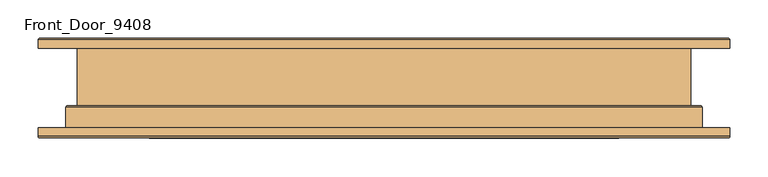
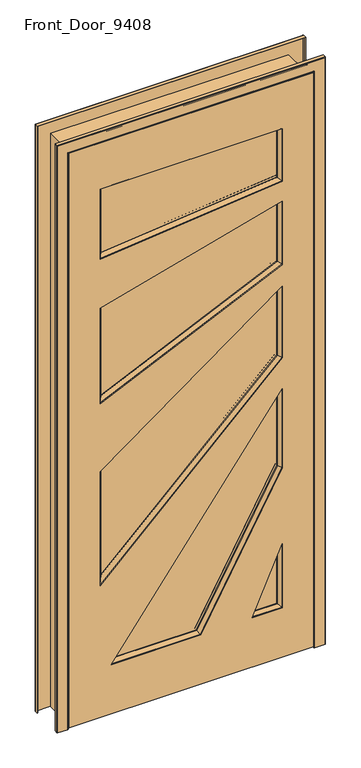
"""IFC4 building model written with IfcOpenShell, lengths in millimetres: door geometry, Front_Door_9408."""

from ifc_helpers import new_model, si_unit, frame, origin, place, context, project, spatial, polyline, circle_curve, ellipse_curve, outline, extrude, faceted_brep, source, transform, mapped, element, save
from ifc_brep_helpers import plane_surface, cylinder_surface, revolved_surface, advanced_brep


def front_door_9408_be1e3d87(model_context):
    return source(origin(), model_context, "Body", "SolidModel", [
        faceted_brep([(306.0, -28.5, 1322.3), (306.0, -42.0, 1322.3), (306.0, -42.0, 1068.6), (306.0, -28.5, 1068.6), (-306.0, -42.0, 473.6), (-306.0, -28.5, 473.6), (-306.0, -42.0, 877.3), (-296.0, -42.0, 497.2693225), (-296.0, -42.0, 872.2071423), (296.0, -42.0, 1302.6646586), (296.0, -42.0, 1072.824878), (-306.0, -28.5, 877.3), (305.0, -28.5, 1069.0224878), (305.0, -28.5, 1320.3364659), (-305.0, -28.5, 876.7907142), (-305.0, -28.5, 475.9669322), (296.0, -39.0, 1302.6646586), (296.0, -39.0, 1072.824878), (-296.0, -39.0, 497.2693225), (-296.0, -39.0, 872.2071423)], [[[0, 1, 2, 3]], [[3, 2, 4, 5]], [[2, 1, 6, 4], [7, 8, 9, 10]], [[5, 4, 6, 11]], [[5, 11, 0, 3], [12, 13, 14, 15]], [[16, 13, 12, 17]], [[17, 12, 15, 18]], [[18, 15, 14, 19]], [[10, 17, 18, 7]], [[9, 16, 17, 10]], [[7, 18, 19, 8]], [[11, 6, 1, 0]], [[19, 14, 13, 16]], [[8, 19, 16, 9]]]),
        faceted_brep([(296.0, -51.0, 1302.6646586), (296.0, -48.0, 1302.6646586), (296.0, -48.0, 1072.824878), (296.0, -51.0, 1072.824878), (-296.0, -48.0, 497.2693225), (-296.0, -51.0, 497.2693225), (-306.0, -48.0, 473.6), (-306.0, -48.0, 877.3), (306.0, -48.0, 1322.3), (306.0, -48.0, 1068.6), (-296.0, -48.0, 872.2071423), (-296.0, -51.0, 872.2071423), (305.0, -61.5, 1069.0224878), (-305.0, -61.5, 475.9669322), (305.0, -61.5, 1320.3364659), (-305.0, -61.5, 876.7907142), (306.0, -61.5, 1068.6), (306.0, -61.5, 1322.3), (-306.0, -61.5, 877.3), (-306.0, -61.5, 473.6)], [[[0, 1, 2, 3]], [[3, 2, 4, 5]], [[6, 7, 8, 9], [2, 1, 10, 4]], [[5, 4, 10, 11]], [[12, 3, 5, 13]], [[14, 0, 3, 12]], [[13, 5, 11, 15]], [[16, 17, 18, 19], [13, 15, 14, 12]], [[8, 17, 16, 9]], [[9, 16, 19, 6]], [[6, 19, 18, 7]], [[11, 10, 1, 0]], [[15, 11, 0, 14]], [[7, 18, 17, 8]]]),
        faceted_brep([(306.0, -28.5, 1624.5), (306.0, -42.0, 1624.5), (306.0, -42.0, 1399.8), (306.0, -28.5, 1399.8), (-306.0, -42.0, 1119.8), (-306.0, -28.5, 1119.8), (-306.0, -42.0, 1459.5), (-296.0, -42.0, 1135.3720775), (-296.0, -42.0, 1451.8390113), (296.0, -42.0, 1611.4468545), (296.0, -42.0, 1406.2217507), (-306.0, -28.5, 1459.5), (305.0, -28.5, 1400.4421751), (305.0, -28.5, 1623.1946854), (-305.0, -28.5, 1458.7339011), (-305.0, -28.5, 1121.3572078), (296.0, -39.0, 1611.4468545), (296.0, -39.0, 1406.2217507), (-296.0, -39.0, 1135.3720775), (-296.0, -39.0, 1451.8390113)], [[[0, 1, 2, 3]], [[3, 2, 4, 5]], [[2, 1, 6, 4], [7, 8, 9, 10]], [[5, 11, 0, 3], [12, 13, 14, 15]], [[16, 13, 12, 17]], [[17, 12, 15, 18]], [[10, 17, 18, 7]], [[9, 16, 17, 10]], [[5, 4, 6, 11]], [[18, 15, 14, 19]], [[7, 18, 19, 8]], [[11, 6, 1, 0]], [[19, 14, 13, 16]], [[8, 19, 16, 9]]]),
        faceted_brep([(296.0, -51.0, 1611.4468545), (296.0, -48.0, 1611.4468545), (296.0, -48.0, 1406.2217507), (296.0, -51.0, 1406.2217507), (-296.0, -48.0, 1135.3720775), (-296.0, -51.0, 1135.3720775), (-306.0, -48.0, 1119.8), (-306.0, -48.0, 1459.5), (306.0, -48.0, 1624.5), (306.0, -48.0, 1399.8), (-296.0, -48.0, 1451.8390113), (305.0, -61.5, 1400.4421751), (-305.0, -61.5, 1121.3572078), (305.0, -61.5, 1623.1946854), (306.0, -61.5, 1399.8), (306.0, -61.5, 1624.5), (-306.0, -61.5, 1459.5), (-306.0, -61.5, 1119.8), (-305.0, -61.5, 1458.7339011), (-296.0, -51.0, 1451.8390113)], [[[0, 1, 2, 3]], [[3, 2, 4, 5]], [[6, 7, 8, 9], [2, 1, 10, 4]], [[11, 3, 5, 12]], [[13, 0, 3, 11]], [[14, 15, 16, 17], [12, 18, 13, 11]], [[8, 15, 14, 9]], [[9, 14, 17, 6]], [[5, 4, 10, 19]], [[12, 5, 19, 18]], [[6, 17, 16, 7]], [[19, 10, 1, 0]], [[18, 19, 0, 13]], [[7, 16, 15, 8]]]),
        extrude(outline(polyline([(877.3, -306.0), (473.6, -306.0), (1068.6, 306.0), (1322.3, 306.0), (877.3, -306.0)])), frame((0.0, -48.0, 0.0), z_axis=(0.0, 1.0, 0.0), x_axis=(0.0, 0.0, 1.0)), (0.0, 0.0, 1.0), 6.0),
        extrude(outline(polyline([(1881.5, 306.0), (1881.5, -306.0), (1632.0, -306.0), (1695.0, 306.0), (1881.5, 306.0)])), frame((0.0, -48.0, 0.0), z_axis=(0.0, 1.0, 0.0), x_axis=(0.0, 0.0, 1.0)), (0.0, 0.0, 1.0), 6.0),
        extrude(outline(polyline([(1459.5, -306.0), (1119.8, -306.0), (1399.8, 306.0), (1624.5, 306.0), (1459.5, -306.0)])), frame((0.0, -48.0, 0.0), z_axis=(0.0, 1.0, 0.0), x_axis=(0.0, 0.0, 1.0)), (0.0, 0.0, 1.0), 6.0),
        extrude(outline(polyline([(678.1, 306.0), (958.1, 306.0), (180.0, -270.3), (180.0, 31.4), (678.1, 306.0)])), frame((0.0, -48.0, 0.0), z_axis=(0.0, 1.0, 0.0), x_axis=(0.0, 0.0, 1.0)), (0.0, 0.0, 1.0), 6.0),
        extrude(outline(polyline([(180.0, 203.8), (180.0, 306.0), (408.1, 306.0), (180.0, 203.8)])), frame((0.0, -48.0, 0.0), z_axis=(0.0, 1.0, 0.0), x_axis=(0.0, 0.0, 1.0)), (0.0, 0.0, 1.0), 6.0),
        extrude(outline(polyline([(2045.0, -410.0), (5.0, -410.0), (5.0, 410.0), (2045.0, 410.0), (2045.0, -410.0)]), holes=[polyline([(1399.8, 306.0), (1119.8, -306.0), (1459.5, -306.0), (1624.5, 306.0), (1399.8, 306.0)]), polyline([(1068.6, 306.0), (473.6, -306.0), (877.3, -306.0), (1322.3, 306.0), (1068.6, 306.0)]), polyline([(1881.5, -306.0), (1881.5, 306.0), (1695.0, 306.0), (1632.0, -306.0), (1881.5, -306.0)]), polyline([(180.0, -270.3), (958.1, 306.0), (678.1, 306.0), (180.0, 31.4), (180.0, -270.3)]), polyline([(180.0, 306.0), (180.0, 203.8), (408.1, 306.0), (180.0, 306.0)])]), frame((0.0, -65.0, 0.0), z_axis=(0.0, 1.0, 0.0), x_axis=(0.0, 0.0, 1.0)), (0.0, 0.0, 1.0), 40.0),
        faceted_brep([(306.0, -28.5, 180.0), (306.0, -42.0, 180.0), (203.8, -42.0, 180.0), (203.8, -28.5, 180.0), (296.0, -39.0, 190.0), (305.0, -28.5, 181.0), (205.3438356, -28.5, 181.0), (219.2383558, -39.0, 190.0), (296.0, -42.0, 190.0), (219.2383558, -42.0, 190.0), (306.0, -42.0, 408.1), (306.0, -28.5, 408.1), (305.0, -28.5, 403.4224179), (296.0, -39.0, 361.3241786), (296.0, -42.0, 361.3241786)], [[[0, 1, 2, 3]], [[4, 5, 6, 7]], [[8, 4, 7, 9]], [[3, 2, 10, 11]], [[7, 6, 12, 13]], [[9, 7, 13, 14]], [[1, 10, 2], [8, 9, 14]], [[11, 10, 1, 0]], [[0, 3, 11], [5, 12, 6]], [[13, 12, 5, 4]], [[14, 13, 4, 8]]]),
        faceted_brep([(296.0, -51.0, 190.0), (296.0, -48.0, 190.0), (219.2383558, -48.0, 190.0), (219.2383558, -51.0, 190.0), (305.0, -61.5, 181.0), (205.3438356, -61.5, 181.0), (306.0, -48.0, 180.0), (306.0, -61.5, 180.0), (203.8, -61.5, 180.0), (203.8, -48.0, 180.0), (296.0, -48.0, 361.3241786), (296.0, -51.0, 361.3241786), (305.0, -61.5, 403.4224179), (306.0, -61.5, 408.1), (306.0, -48.0, 408.1)], [[[0, 1, 2, 3]], [[4, 0, 3, 5]], [[6, 7, 8, 9]], [[3, 2, 10, 11]], [[5, 3, 11, 12]], [[9, 8, 13, 14]], [[11, 10, 1, 0]], [[12, 11, 0, 4]], [[7, 13, 8], [4, 5, 12]], [[14, 13, 7, 6]], [[6, 9, 14], [1, 10, 2]]]),
        faceted_brep([(306.0, -28.5, 678.1), (306.0, -42.0, 678.1), (31.4, -42.0, 180.0), (31.4, -28.5, 180.0), (296.0, -39.0, 680.6738643), (305.0, -28.5, 678.3573864), (30.8093991, -28.5, 181.0), (25.4939909, -39.0, 190.0), (296.0, -42.0, 680.6738643), (25.4939909, -42.0, 190.0), (-270.3, -42.0, 180.0), (-270.3, -28.5, 180.0), (-268.314937, -28.5, 181.0), (-250.4493704, -39.0, 190.0), (-250.4493704, -42.0, 190.0), (306.0, -42.0, 958.1), (306.0, -28.5, 958.1), (305.0, -28.5, 955.0696729), (296.0, -39.0, 927.7967293), (296.0, -42.0, 927.7967293)], [[[0, 1, 2, 3]], [[4, 5, 6, 7]], [[8, 4, 7, 9]], [[3, 2, 10, 11]], [[7, 6, 12, 13]], [[9, 7, 13, 14]], [[11, 10, 15, 16]], [[13, 12, 17, 18]], [[14, 13, 18, 19]], [[1, 15, 10, 2], [9, 14, 19, 8]], [[16, 15, 1, 0]], [[3, 11, 16, 0], [5, 17, 12, 6]], [[18, 17, 5, 4]], [[19, 18, 4, 8]]]),
        faceted_brep([(296.0, -51.0, 680.6738643), (296.0, -48.0, 680.6738643), (25.4939909, -48.0, 190.0), (25.4939909, -51.0, 190.0), (305.0, -61.5, 678.3573864), (30.8093991, -61.5, 181.0), (306.0, -48.0, 678.1), (306.0, -61.5, 678.1), (31.4, -61.5, 180.0), (31.4, -48.0, 180.0), (-250.4493704, -48.0, 190.0), (-250.4493704, -51.0, 190.0), (-268.314937, -61.5, 181.0), (-270.3, -61.5, 180.0), (-270.3, -48.0, 180.0), (296.0, -48.0, 927.7967293), (296.0, -51.0, 927.7967293), (305.0, -61.5, 955.0696729), (306.0, -61.5, 958.1), (306.0, -48.0, 958.1)], [[[0, 1, 2, 3]], [[4, 0, 3, 5]], [[6, 7, 8, 9]], [[3, 2, 10, 11]], [[5, 3, 11, 12]], [[9, 8, 13, 14]], [[11, 10, 15, 16]], [[12, 11, 16, 17]], [[14, 13, 18, 19]], [[16, 15, 1, 0]], [[17, 16, 0, 4]], [[7, 18, 13, 8], [5, 12, 17, 4]], [[19, 18, 7, 6]], [[9, 14, 19, 6], [1, 15, 10, 2]]]),
        faceted_brep([(306.0, -28.5, 1695.0), (306.0, -42.0, 1695.0), (-306.0, -42.0, 1632.0), (-306.0, -28.5, 1632.0), (296.0, -39.0, 1704.023433), (305.0, -28.5, 1695.9023433), (-305.0, -28.5, 1633.1082257), (-296.0, -39.0, 1643.0822566), (296.0, -42.0, 1704.023433), (-296.0, -42.0, 1643.0822566), (-306.0, -42.0, 1881.5), (-306.0, -28.5, 1881.5), (-305.0, -28.5, 1880.5), (-296.0, -39.0, 1871.5), (-296.0, -42.0, 1871.5), (306.0, -42.0, 1881.5), (306.0, -28.5, 1881.5), (305.0, -28.5, 1880.5), (296.0, -39.0, 1871.5), (296.0, -42.0, 1871.5)], [[[0, 1, 2, 3]], [[4, 5, 6, 7]], [[8, 4, 7, 9]], [[3, 2, 10, 11]], [[7, 6, 12, 13]], [[9, 7, 13, 14]], [[11, 10, 15, 16]], [[13, 12, 17, 18]], [[14, 13, 18, 19]], [[1, 15, 10, 2], [9, 14, 19, 8]], [[16, 15, 1, 0]], [[3, 11, 16, 0], [5, 17, 12, 6]], [[18, 17, 5, 4]], [[19, 18, 4, 8]]]),
        faceted_brep([(296.0, -51.0, 1704.023433), (296.0, -48.0, 1704.023433), (-296.0, -48.0, 1643.0822566), (-296.0, -51.0, 1643.0822566), (305.0, -61.5, 1695.9023433), (-305.0, -61.5, 1633.1082257), (306.0, -48.0, 1695.0), (306.0, -61.5, 1695.0), (-306.0, -61.5, 1632.0), (-306.0, -48.0, 1632.0), (-296.0, -48.0, 1871.5), (-296.0, -51.0, 1871.5), (-305.0, -61.5, 1880.5), (-306.0, -61.5, 1881.5), (-306.0, -48.0, 1881.5), (296.0, -48.0, 1871.5), (296.0, -51.0, 1871.5), (305.0, -61.5, 1880.5), (306.0, -61.5, 1881.5), (306.0, -48.0, 1881.5)], [[[0, 1, 2, 3]], [[4, 0, 3, 5]], [[6, 7, 8, 9]], [[3, 2, 10, 11]], [[5, 3, 11, 12]], [[9, 8, 13, 14]], [[11, 10, 15, 16]], [[12, 11, 16, 17]], [[14, 13, 18, 19]], [[16, 15, 1, 0]], [[17, 16, 0, 4]], [[7, 18, 13, 8], [5, 12, 17, 4]], [[19, 18, 7, 6]], [[9, 14, 19, 6], [1, 15, 10, 2]]]),
        advanced_brep(
        [(-400.0, 65.0, 0.0), (-398.0, 63.0, 0.0), (-398.0, -23.0, 0.0), (-400.0, -25.0, 0.0), (-411.5857864, -25.0, 0.0), (-413.0, -26.4142136, 0.0), (-413.0, -63.0, 0.0), (-415.0, -65.0, 0.0), (-449.0, -65.0, 0.0), (-451.0, -63.0, 0.0), (-451.0, -52.0, 0.0), (-449.0, -52.0, 0.0), (-449.0, -63.0, 0.0), (-415.0, -63.0, 0.0), (-415.0, -25.0, 0.0), (-413.0, -23.0, 0.0), (-400.0, -23.0, 0.0), (-400.0, 63.0, 0.0), (-449.0, 63.0, 0.0), (-449.0, 52.0, 0.0), (-451.0, 52.0, 0.0), (-451.0, 63.0, 0.0), (-449.0, 65.0, 0.0), (-400.0, 65.0, 2035.0), (-398.0, 63.0, 2033.0), (-398.0, -23.0, 2033.0), (-400.0, -25.0, 2035.0), (400.0, -25.0, 2035.0), (400.0, -25.0, 0.0), (411.5857864, -25.0, 0.0), (411.5857864, -25.0, 2046.5857864), (-411.5857864, -25.0, 2046.5857864), (-413.0, -26.4142136, 2048.0), (-413.0, -63.0, 2048.0), (-415.0, -65.0, 2050.0), (415.0, -65.0, 2050.0), (415.0, -65.0, 0.0), (449.0, -65.0, 0.0), (449.0, -65.0, 2084.0), (-449.0, -65.0, 2084.0), (-451.0, -63.0, 2086.0), (-451.0, -52.0, 2086.0), (451.0, -52.0, 2086.0), (451.0, -52.0, 0.0), (449.0, -52.0, 0.0), (449.0, -52.0, 2084.0), (-449.0, -52.0, 2084.0), (-449.0, -63.0, 2084.0), (449.0, -63.0, 2084.0), (449.0, -63.0, 0.0), (415.0, -63.0, 0.0), (415.0, -63.0, 2050.0), (-415.0, -63.0, 2050.0), (-415.0, -25.0, 2050.0), (-413.0, -23.0, 2048.0), (413.0, -23.0, 2048.0), (413.0, -23.0, 0.0), (400.0, -23.0, 0.0), (400.0, -23.0, 2035.0), (-400.0, -23.0, 2035.0), (-400.0, 63.0, 2035.0), (400.0, 63.0, 2035.0), (400.0, 63.0, 0.0), (449.0, 63.0, 0.0), (449.0, 63.0, 2084.0), (-449.0, 63.0, 2084.0), (-449.0, 52.0, 2084.0), (449.0, 52.0, 2084.0), (449.0, 52.0, 0.0), (451.0, 52.0, 0.0), (451.0, 52.0, 2086.0), (-451.0, 52.0, 2086.0), (-451.0, 63.0, 2086.0), (-449.0, 65.0, 2084.0), (449.0, 65.0, 2084.0), (449.0, 65.0, 0.0), (400.0, 65.0, 0.0), (400.0, 65.0, 2035.0), (398.0, 63.0, 2033.0), (398.0, -23.0, 2033.0), (413.0, -26.4142136, 2048.0), (413.0, -63.0, 2048.0), (451.0, -63.0, 2086.0), (415.0, -25.0, 2050.0), (451.0, 63.0, 2086.0), (451.0, 63.0, 0.0), (415.0, -25.0, 0.0), (451.0, -63.0, 0.0), (413.0, -63.0, 0.0), (413.0, -26.4142136, 0.0), (398.0, -23.0, 0.0), (398.0, 63.0, 0.0)],
        [
            (0, 1, circle_curve(frame((-400.0, 63.0, 0.0), z_axis=(0.0, 0.0, -1.0), x_axis=(-1.0, 0.0, 0.0)), 2.0)),
            (1, 2),
            (2, 3, circle_curve(frame((-400.0, -23.0, 0.0), z_axis=(0.0, 0.0, -1.0), x_axis=(-1.0, 0.0, 0.0)), 2.0)),
            (3, 4),
            (4, 5, circle_curve(frame((-411.5857864, -26.4142136, 0.0), z_axis=(0.0, 0.0, 1.0), x_axis=(-1.0, 0.0, 0.0)), 1.4142136)),
            (5, 6),
            (6, 7, circle_curve(frame((-415.0, -63.0, 0.0), z_axis=(0.0, 0.0, -1.0), x_axis=(-1.0, 0.0, 0.0)), 2.0)),
            (7, 8),
            (8, 9, circle_curve(frame((-449.0, -63.0, 0.0), z_axis=(0.0, 0.0, -1.0), x_axis=(-1.0, 0.0, 0.0)), 2.0)),
            (9, 10),
            (10, 11),
            (11, 12),
            (12, 13),
            (13, 14),
            (14, 15, circle_curve(frame((-413.0, -25.0, 0.0), z_axis=(0.0, 0.0, -1.0), x_axis=(-1.0, 0.0, 0.0)), 2.0)),
            (15, 16),
            (16, 17),
            (17, 18),
            (18, 19),
            (19, 20),
            (20, 21),
            (21, 22, circle_curve(frame((-449.0, 63.0, 0.0), z_axis=(0.0, 0.0, -1.0), x_axis=(-1.0, 0.0, 0.0)), 2.0)),
            (22, 0),
            (0, 23),
            (23, 24, ellipse_curve(frame((-400.0, 63.0, 2035.0), z_axis=(-0.7071067811865475, 0.0, -0.7071067811865475), x_axis=(0.7071067811865474, 0.0, -0.7071067811865476)), 2.8284271, 2.0)),
            (24, 1),
            (24, 25),
            (25, 2),
            (25, 26, ellipse_curve(frame((-400.0, -23.0, 2035.0), z_axis=(-0.7071067811865475, 0.0, -0.7071067811865475), x_axis=(0.7071067811865474, 0.0, -0.7071067811865476)), 2.8284271, 2.0)),
            (26, 3),
            (26, 27),
            (27, 28),
            (28, 29),
            (29, 30),
            (30, 31),
            (31, 4),
            (31, 32, ellipse_curve(frame((-411.5857864, -26.4142136, 2046.5857864), z_axis=(0.7071067811865475, 0.0, 0.7071067811865475), x_axis=(-0.7071067811865474, 0.0, 0.7071067811865476)), 2.0, 1.4142136)),
            (32, 5),
            (32, 33),
            (33, 6),
            (33, 34, ellipse_curve(frame((-415.0, -63.0, 2050.0), z_axis=(-0.7071067811865475, 0.0, -0.7071067811865475), x_axis=(0.7071067811865474, 0.0, -0.7071067811865476)), 2.8284271, 2.0)),
            (34, 7),
            (34, 35),
            (35, 36),
            (36, 37),
            (37, 38),
            (38, 39),
            (39, 8),
            (39, 40, ellipse_curve(frame((-449.0, -63.0, 2084.0), z_axis=(-0.7071067811865475, 0.0, -0.7071067811865475), x_axis=(0.7071067811865474, 0.0, -0.7071067811865476)), 2.8284271, 2.0)),
            (40, 9),
            (40, 41),
            (41, 10),
            (41, 42),
            (42, 43),
            (43, 44),
            (44, 45),
            (45, 46),
            (46, 11),
            (46, 47),
            (47, 12),
            (47, 48),
            (48, 49),
            (49, 50),
            (50, 51),
            (51, 52),
            (52, 13),
            (52, 53),
            (53, 14),
            (53, 54, ellipse_curve(frame((-413.0, -25.0, 2048.0), z_axis=(-0.7071067811865475, 0.0, -0.7071067811865475), x_axis=(0.7071067811865474, 0.0, -0.7071067811865476)), 2.8284271, 2.0)),
            (54, 15),
            (54, 55),
            (55, 56),
            (56, 57),
            (57, 58),
            (58, 59),
            (59, 16),
            (59, 60),
            (60, 17),
            (60, 61),
            (61, 62),
            (62, 63),
            (63, 64),
            (64, 65),
            (65, 18),
            (65, 66),
            (66, 19),
            (66, 67),
            (67, 68),
            (68, 69),
            (69, 70),
            (70, 71),
            (71, 20),
            (71, 72),
            (72, 21),
            (72, 73, ellipse_curve(frame((-449.0, 63.0, 2084.0), z_axis=(-0.7071067811865475, 0.0, -0.7071067811865475), x_axis=(0.7071067811865474, 0.0, -0.7071067811865476)), 2.8284271, 2.0)),
            (73, 22),
            (73, 74),
            (74, 75),
            (75, 76),
            (76, 77),
            (77, 23),
            (77, 78, ellipse_curve(frame((400.0, 63.0, 2035.0), z_axis=(-0.7071067811865475, 0.0, 0.7071067811865475), x_axis=(-0.7071067811865476, 0.0, -0.7071067811865474)), 2.8284271, 2.0)),
            (78, 24),
            (78, 79),
            (79, 25),
            (79, 27, ellipse_curve(frame((400.0, -23.0, 2035.0), z_axis=(-0.7071067811865475, 0.0, 0.7071067811865475), x_axis=(-0.7071067811865476, 0.0, -0.7071067811865474)), 2.8284271, 2.0)),
            (30, 80, ellipse_curve(frame((411.5857864, -26.4142136, 2046.5857864), z_axis=(0.7071067811865475, 0.0, -0.7071067811865475), x_axis=(0.7071067811865476, 0.0, 0.7071067811865474)), 2.0, 1.4142136)),
            (80, 32),
            (80, 81),
            (81, 33),
            (81, 35, ellipse_curve(frame((415.0, -63.0, 2050.0), z_axis=(-0.7071067811865475, 0.0, 0.7071067811865475), x_axis=(-0.7071067811865476, 0.0, -0.7071067811865474)), 2.8284271, 2.0)),
            (38, 82, ellipse_curve(frame((449.0, -63.0, 2084.0), z_axis=(-0.7071067811865475, 0.0, 0.7071067811865475), x_axis=(-0.7071067811865476, 0.0, -0.7071067811865474)), 2.8284271, 2.0)),
            (82, 40),
            (82, 42),
            (45, 48),
            (51, 83),
            (83, 53),
            (83, 55, ellipse_curve(frame((413.0, -25.0, 2048.0), z_axis=(-0.7071067811865475, 0.0, 0.7071067811865475), x_axis=(-0.7071067811865476, 0.0, -0.7071067811865474)), 2.8284271, 2.0)),
            (58, 61),
            (64, 67),
            (70, 84),
            (84, 72),
            (84, 74, ellipse_curve(frame((449.0, 63.0, 2084.0), z_axis=(-0.7071067811865475, 0.0, 0.7071067811865475), x_axis=(-0.7071067811865476, 0.0, -0.7071067811865474)), 2.8284271, 2.0)),
            (75, 85, circle_curve(frame((449.0, 63.0, 0.0), z_axis=(0.0, 0.0, -1.0), x_axis=(1.0, 0.0, 0.0)), 2.0)),
            (85, 69),
            (68, 63),
            (62, 57),
            (56, 86, circle_curve(frame((413.0, -25.0, 0.0), z_axis=(0.0, 0.0, -1.0), x_axis=(1.0, 0.0, 0.0)), 2.0)),
            (86, 50),
            (49, 44),
            (43, 87),
            (87, 37, circle_curve(frame((449.0, -63.0, 0.0), z_axis=(0.0, 0.0, -1.0), x_axis=(1.0, 0.0, 0.0)), 2.0)),
            (36, 88, circle_curve(frame((415.0, -63.0, 0.0), z_axis=(0.0, 0.0, -1.0), x_axis=(1.0, 0.0, 0.0)), 2.0)),
            (88, 89),
            (89, 29, circle_curve(frame((411.5857864, -26.4142136, 0.0), z_axis=(0.0, 0.0, 1.0), x_axis=(1.0, 0.0, 0.0)), 1.4142136)),
            (28, 90, circle_curve(frame((400.0, -23.0, 0.0), z_axis=(0.0, 0.0, -1.0), x_axis=(1.0, 0.0, 0.0)), 2.0)),
            (90, 91),
            (91, 76, circle_curve(frame((400.0, 63.0, 0.0), z_axis=(0.0, 0.0, -1.0), x_axis=(1.0, 0.0, 0.0)), 2.0)),
            (91, 78),
            (90, 79),
            (89, 80),
            (88, 81),
            (87, 82),
            (86, 83),
            (85, 84),
        ],
        [
            plane_surface(frame((-451.0, -50.0, 0.0), z_axis=(0.0, 0.0, -1.0), x_axis=(0.0, -1.0, 0.0))),
            cylinder_surface(frame((-400.0, 63.0, 0.0), z_axis=(0.0, 0.0, -1.0), x_axis=(-1.0, 0.0, 0.0)), 2.0),
            plane_surface(frame((-398.0, 63.0, 0.0), z_axis=(1.0, 0.0, 0.0), x_axis=(0.0, 0.0, 1.0))),
            cylinder_surface(frame((-400.0, -23.0, 0.0), z_axis=(0.0, 0.0, -1.0), x_axis=(-1.0, 0.0, 0.0)), 2.0),
            plane_surface(frame((-400.0, -25.0, 0.0), z_axis=(0.0, -1.0, 0.0), x_axis=(0.0, 0.0, 1.0))),
            revolved_surface(polyline([(-413.0, -26.4142136, 2048.0), (-413.0, -26.4142136, 0.0)]), (-411.5857864, -26.4142136, 0.0), (0.0, 0.0, 1.0)),
            plane_surface(frame((-413.0, -26.4142136, 0.0), z_axis=(1.0, 0.0, 0.0), x_axis=(0.0, 0.0, 1.0))),
            cylinder_surface(frame((-415.0, -63.0, 0.0), z_axis=(0.0, 0.0, -1.0), x_axis=(-1.0, 0.0, 0.0)), 2.0),
            plane_surface(frame((-415.0, -65.0, 0.0), z_axis=(0.0, -1.0, 0.0), x_axis=(0.0, 0.0, 1.0))),
            cylinder_surface(frame((-449.0, -63.0, 0.0), z_axis=(0.0, 0.0, -1.0), x_axis=(-1.0, 0.0, 0.0)), 2.0),
            plane_surface(frame((-451.0, -63.0, 0.0), z_axis=(-1.0, 0.0, 0.0), x_axis=(0.0, 0.0, 1.0))),
            plane_surface(frame((-451.0, -52.0, 0.0), z_axis=(0.0, 1.0, 0.0), x_axis=(0.0, 0.0, 1.0))),
            plane_surface(frame((-449.0, -52.0, 0.0), z_axis=(1.0, 0.0, 0.0), x_axis=(0.0, 0.0, 1.0))),
            plane_surface(frame((-449.0, -63.0, 0.0), z_axis=(0.0, 1.0, 0.0), x_axis=(0.0, 0.0, 1.0))),
            plane_surface(frame((-415.0, -63.0, 0.0), z_axis=(-1.0, 0.0, 0.0), x_axis=(0.0, 0.0, 1.0))),
            cylinder_surface(frame((-413.0, -25.0, 0.0), z_axis=(0.0, 0.0, -1.0), x_axis=(-1.0, 0.0, 0.0)), 2.0),
            plane_surface(frame((-413.0, -23.0, 0.0), z_axis=(0.0, 1.0, 0.0), x_axis=(0.0, 0.0, 1.0))),
            plane_surface(frame((-400.0, -23.0, 0.0), z_axis=(-1.0, 0.0, 0.0), x_axis=(0.0, 0.0, 1.0))),
            plane_surface(frame((-400.0, 63.0, 0.0), z_axis=(0.0, -1.0, 0.0), x_axis=(0.0, 0.0, 1.0))),
            plane_surface(frame((-449.0, 63.0, 0.0), z_axis=(1.0, 0.0, 0.0), x_axis=(0.0, 0.0, 1.0))),
            plane_surface(frame((-449.0, 52.0, 0.0), z_axis=(0.0, -1.0, 0.0), x_axis=(0.0, 0.0, 1.0))),
            plane_surface(frame((-451.0, 52.0, 0.0), z_axis=(-1.0, 0.0, 0.0), x_axis=(0.0, 0.0, 1.0))),
            cylinder_surface(frame((-449.0, 63.0, 0.0), z_axis=(0.0, 0.0, -1.0), x_axis=(-1.0, 0.0, 0.0)), 2.0),
            plane_surface(frame((-449.0, 65.0, 0.0), z_axis=(0.0, 1.0, 0.0), x_axis=(0.0, 0.0, 1.0))),
            cylinder_surface(frame((-451.0, 63.0, 2035.0), z_axis=(-1.0, 0.0, 0.0), x_axis=(0.0, 0.0, 1.0)), 2.0),
            plane_surface(frame((-398.0, 63.0, 2033.0), z_axis=(0.0, 0.0, -1.0), x_axis=(1.0, 0.0, 0.0))),
            cylinder_surface(frame((-451.0, -23.0, 2035.0), z_axis=(-1.0, 0.0, 0.0), x_axis=(0.0, 0.0, 1.0)), 2.0),
            revolved_surface(polyline([(413.0, -26.4142136, 2048.0), (-413.0, -26.4142136, 2048.0)]), (-451.0, -26.4142136, 2046.5857864), (1.0, 0.0, 0.0)),
            plane_surface(frame((-413.0, -26.4142136, 2048.0), z_axis=(0.0, 0.0, -1.0), x_axis=(1.0, 0.0, 0.0))),
            cylinder_surface(frame((-451.0, -63.0, 2050.0), z_axis=(-1.0, 0.0, 0.0), x_axis=(0.0, 0.0, 1.0)), 2.0),
            cylinder_surface(frame((-451.0, -63.0, 2084.0), z_axis=(-1.0, 0.0, 0.0), x_axis=(0.0, 0.0, 1.0)), 2.0),
            plane_surface(frame((-451.0, -63.0, 2086.0), z_axis=(0.0, 0.0, 1.0), x_axis=(1.0, 0.0, 0.0))),
            plane_surface(frame((-449.0, -52.0, 2084.0), z_axis=(0.0, 0.0, -1.0), x_axis=(1.0, 0.0, 0.0))),
            plane_surface(frame((-415.0, -63.0, 2050.0), z_axis=(0.0, 0.0, 1.0), x_axis=(1.0, 0.0, 0.0))),
            cylinder_surface(frame((-451.0, -25.0, 2048.0), z_axis=(-1.0, 0.0, 0.0), x_axis=(0.0, 0.0, 1.0)), 2.0),
            plane_surface(frame((-400.0, -23.0, 2035.0), z_axis=(0.0, 0.0, 1.0), x_axis=(1.0, 0.0, 0.0))),
            plane_surface(frame((-449.0, 63.0, 2084.0), z_axis=(0.0, 0.0, -1.0), x_axis=(1.0, 0.0, 0.0))),
            plane_surface(frame((-451.0, 52.0, 2086.0), z_axis=(0.0, 0.0, 1.0), x_axis=(1.0, 0.0, 0.0))),
            cylinder_surface(frame((-451.0, 63.0, 2084.0), z_axis=(-1.0, 0.0, 0.0), x_axis=(0.0, 0.0, 1.0)), 2.0),
            plane_surface(frame((451.0, -50.0, 0.0), z_axis=(0.0, 0.0, -1.0), x_axis=(0.0, -1.0, 0.0))),
            cylinder_surface(frame((400.0, 63.0, 2086.0), z_axis=(0.0, 0.0, 1.0), x_axis=(1.0, 0.0, 0.0)), 2.0),
            plane_surface(frame((398.0, 63.0, 2033.0), z_axis=(-1.0, 0.0, 0.0), x_axis=(0.0, 0.0, -1.0))),
            cylinder_surface(frame((400.0, -23.0, 2086.0), z_axis=(0.0, 0.0, 1.0), x_axis=(1.0, 0.0, 0.0)), 2.0),
            revolved_surface(polyline([(413.0, -26.4142136, 0.0), (413.0, -26.4142136, 2048.0)]), (411.5857864, -26.4142136, 2086.0), (0.0, 0.0, -1.0)),
            plane_surface(frame((413.0, -26.4142136, 2048.0), z_axis=(-1.0, 0.0, 0.0), x_axis=(0.0, 0.0, -1.0))),
            cylinder_surface(frame((415.0, -63.0, 2086.0), z_axis=(0.0, 0.0, 1.0), x_axis=(1.0, 0.0, 0.0)), 2.0),
            cylinder_surface(frame((449.0, -63.0, 2086.0), z_axis=(0.0, 0.0, 1.0), x_axis=(1.0, 0.0, 0.0)), 2.0),
            plane_surface(frame((451.0, -63.0, 2086.0), z_axis=(1.0, 0.0, 0.0), x_axis=(0.0, 0.0, -1.0))),
            plane_surface(frame((449.0, -52.0, 2084.0), z_axis=(-1.0, 0.0, 0.0), x_axis=(0.0, 0.0, -1.0))),
            plane_surface(frame((415.0, -63.0, 2050.0), z_axis=(1.0, 0.0, 0.0), x_axis=(0.0, 0.0, -1.0))),
            cylinder_surface(frame((413.0, -25.0, 2086.0), z_axis=(0.0, 0.0, 1.0), x_axis=(1.0, 0.0, 0.0)), 2.0),
            plane_surface(frame((400.0, -23.0, 2035.0), z_axis=(1.0, 0.0, 0.0), x_axis=(0.0, 0.0, -1.0))),
            plane_surface(frame((449.0, 63.0, 2084.0), z_axis=(-1.0, 0.0, 0.0), x_axis=(0.0, 0.0, -1.0))),
            plane_surface(frame((451.0, 52.0, 2086.0), z_axis=(1.0, 0.0, 0.0), x_axis=(0.0, 0.0, -1.0))),
            cylinder_surface(frame((449.0, 63.0, 2086.0), z_axis=(0.0, 0.0, 1.0), x_axis=(1.0, 0.0, 0.0)), 2.0),
        ],
        [
            (0, [[1, 2, 3, 4, 5, 6, 7, 8, 9, 10, 11, 12, 13, 14, 15, 16, 17, 18, 19, 20, 21, 22, 23]]),
            (1, [[-1, 24, 25, 26]]),
            (2, [[-2, -26, 27, 28]]),
            (3, [[-3, -28, 29, 30]]),
            (4, [[-4, -30, 31, 32, 33, 34, 35, 36]]),
            (5, [[-5, -36, 37, 38]]),
            (6, [[-6, -38, 39, 40]]),
            (7, [[-7, -40, 41, 42]]),
            (8, [[-8, -42, 43, 44, 45, 46, 47, 48]]),
            (9, [[-9, -48, 49, 50]]),
            (10, [[-10, -50, 51, 52]]),
            (11, [[-11, -52, 53, 54, 55, 56, 57, 58]]),
            (12, [[-12, -58, 59, 60]]),
            (13, [[-13, -60, 61, 62, 63, 64, 65, 66]]),
            (14, [[-14, -66, 67, 68]]),
            (15, [[-15, -68, 69, 70]]),
            (16, [[-16, -70, 71, 72, 73, 74, 75, 76]]),
            (17, [[-17, -76, 77, 78]]),
            (18, [[-18, -78, 79, 80, 81, 82, 83, 84]]),
            (19, [[-19, -84, 85, 86]]),
            (20, [[-20, -86, 87, 88, 89, 90, 91, 92]]),
            (21, [[-21, -92, 93, 94]]),
            (22, [[-22, -94, 95, 96]]),
            (23, [[-23, -96, 97, 98, 99, 100, 101, -24]]),
            (24, [[-25, -101, 102, 103]]),
            (25, [[-27, -103, 104, 105]]),
            (26, [[-29, -105, 106, -31]]),
            (27, [[-37, -35, 107, 108]]),
            (28, [[-39, -108, 109, 110]]),
            (29, [[-41, -110, 111, -43]]),
            (30, [[-49, -47, 112, 113]]),
            (31, [[-51, -113, 114, -53]]),
            (32, [[-59, -57, 115, -61]]),
            (33, [[-67, -65, 116, 117]]),
            (34, [[-69, -117, 118, -71]]),
            (35, [[-77, -75, 119, -79]]),
            (36, [[-85, -83, 120, -87]]),
            (37, [[-93, -91, 121, 122]]),
            (38, [[-95, -122, 123, -97]]),
            (39, [[-99, 124, 125, -89, 126, -81, 127, -73, 128, 129, -63, 130, -55, 131, 132, -45, 133, 134, 135, -33, 136, 137, 138]]),
            (40, [[-102, -100, -138, 139]]),
            (41, [[-104, -139, -137, 140]]),
            (42, [[-106, -140, -136, -32]]),
            (43, [[-107, -34, -135, 141]]),
            (44, [[-109, -141, -134, 142]]),
            (45, [[-111, -142, -133, -44]]),
            (46, [[-112, -46, -132, 143]]),
            (47, [[-114, -143, -131, -54]]),
            (48, [[-115, -56, -130, -62]]),
            (49, [[-116, -64, -129, 144]]),
            (50, [[-118, -144, -128, -72]]),
            (51, [[-119, -74, -127, -80]]),
            (52, [[-120, -82, -126, -88]]),
            (53, [[-121, -90, -125, 145]]),
            (54, [[-123, -145, -124, -98]]),
        ],
    ),
    ])


if __name__ == "__main__":
    model = new_model("IFC4")
    model_context = context("Model", 3, world=origin())
    ifc_project = project(units=[si_unit("LENGTHUNIT", "METRE", prefix="MILLI")], contexts=[model_context])
    site = spatial("IfcSite", under=ifc_project)
    building = spatial("IfcBuilding", under=site)
    placement = place(None, origin())
    front_door_9408_shape = front_door_9408_be1e3d87(model_context)
    element("IfcDoor", 1, ObjectType="Front_Door_9408", at=placement, inside=building, context=model_context, shape_type="MappedRepresentation", body=[
        mapped(front_door_9408_shape, transform((0.0, 0.0, 0.0), x_axis=(1.0, 0.0, 0.0), y_axis=(0.0, 1.0, 0.0), z_axis=(0.0, 0.0, 1.0))),
    ])
    save(model, "model.ifc")
